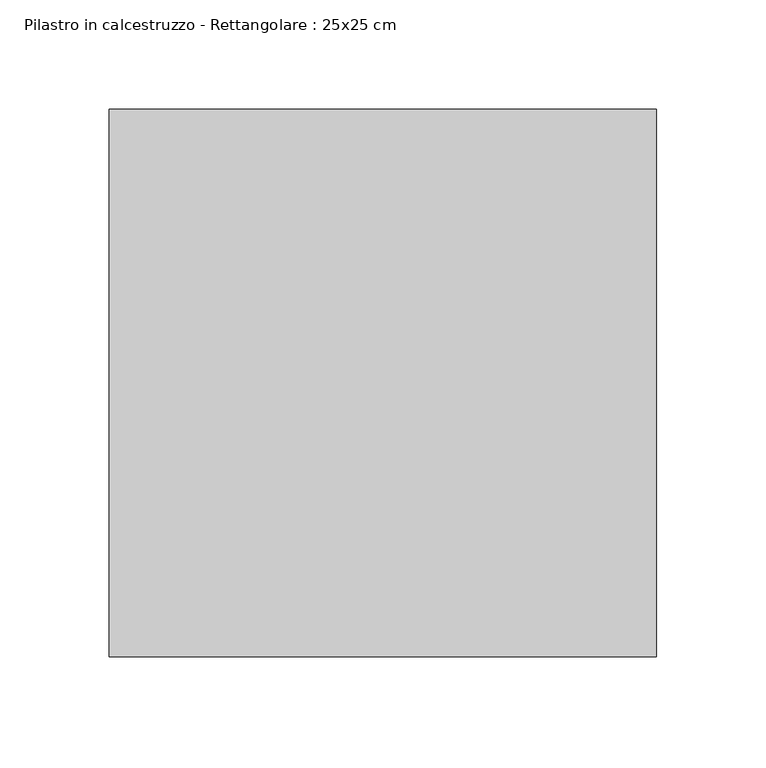
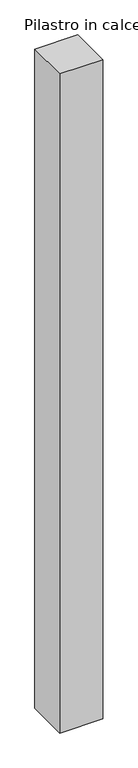
"""IFC4 building model written with IfcOpenShell, lengths in millimetres: column geometry, Pilastro in calcestruzzo - Rettangolare : 25x25 cm."""

import ifcopenshell
import ifcopenshell.guid

model = None  # the IFC model being written
_history = None  # IfcOwnerHistory: only IFC2X3 demands one
_inside = {}  # id of a spatial element -> (the spatial element, [elements in it])
_under = {}  # id of a project, library or spatial element -> (it, [spatial elements below it])
_declared = {}  # id of a project -> (the project, [libraries it declares])
_typed = {}  # id of a type object -> (the type object, [elements of that type])
_made_of = {}  # id of a material, layer set ... -> (it, [elements and type objects made of it])


def new_model(schema):
    """Start an empty IFC model of exactly this schema.

    Asked for "IFC4X3", IfcOpenShell would pick the latest addendum, in which some entities
    have other attributes; the version numbers below select the first issue.
    IFC2X3 requires an IfcOwnerHistory on every rooted entity: one is made here for all.
    """
    global model, _history
    if schema == "IFC4X3":
        model = ifcopenshell.file(schema_version=(4, 3, 0, 0))
    else:
        model = ifcopenshell.file(schema=schema)
    _inside.clear()
    _under.clear()
    _declared.clear()
    _typed.clear()
    _made_of.clear()
    _history = None
    if model.schema == "IFC2X3":
        org = make("IfcOrganization", Name="unknown")
        user = make(
            "IfcPersonAndOrganization",
            ThePerson=make("IfcPerson", FamilyName="unknown"),
            TheOrganization=org,
        )
        app = make(
            "IfcApplication",
            ApplicationDeveloper=org,
            Version="unknown",
            ApplicationFullName="unknown",
            ApplicationIdentifier="unknown",
        )
        _history = make(
            "IfcOwnerHistory",
            OwningUser=user,
            OwningApplication=app,
            ChangeAction="ADDED",
            CreationDate=0,
        )
    return model


def make(cls, **values):
    """One entity of the class cls with the attributes given. An attribute that is None is left unset."""
    return model.create_entity(
        cls, **{name: value for name, value in values.items() if value is not None}
    )


def rooted(cls, **values):
    """An entity with a GlobalId (a new one), such as an element, a storey or a relation."""
    return make(cls, GlobalId=ifcopenshell.guid.new(), OwnerHistory=_history, **values)


def si_unit(unit_type, name, prefix=None):
    """IfcSIUnit, for example si_unit("LENGTHUNIT", "METRE", prefix="MILLI")."""
    return make("IfcSIUnit", UnitType=unit_type, Prefix=prefix, Name=name)


def assignment(units):
    """IfcUnitAssignment: the units of a project."""
    return None if units is None else make("IfcUnitAssignment", Units=units)


def point(xyz):
    """IfcCartesianPoint."""
    return None if xyz is None else make("IfcCartesianPoint", Coordinates=xyz)


def direction(xyz):
    """IfcDirection."""
    return None if xyz is None else make("IfcDirection", DirectionRatios=xyz)


def frame(location, z_axis=None, x_axis=None):
    """IfcAxis2Placement3D, a coordinate frame: its origin and axes. An axis left out is left unset."""
    return make(
        "IfcAxis2Placement3D",
        Location=point(location),
        Axis=direction(z_axis),
        RefDirection=direction(x_axis),
    )


def origin():
    """The frame at (0, 0, 0) with its axes left unset."""
    return frame((0.0, 0.0, 0.0))


def place(relative_to, where):
    """IfcLocalPlacement: puts the frame where relative to a parent placement (None: the world)."""
    return make(
        "IfcLocalPlacement", PlacementRelTo=relative_to, RelativePlacement=where
    )


def context(
    kind, dimensions, precision=None, world=None, true_north=None, identifier=None
):
    """IfcGeometricRepresentationContext, for example the 3D "Model" context."""
    return make(
        "IfcGeometricRepresentationContext",
        ContextIdentifier=identifier,
        ContextType=kind,
        CoordinateSpaceDimension=dimensions,
        Precision=precision,
        WorldCoordinateSystem=world,
        TrueNorth=true_north,
    )


def project(units=None, contexts=None):
    """IfcProject with its units and contexts."""
    return rooted(
        "IfcProject",
        Name="project",
        RepresentationContexts=contexts,
        UnitsInContext=assignment(units),
    )


def spatial(cls, under=None, at=None, **own):
    """A site, building, storey or space (cls), placed at a placement, below another one or the project."""
    s = rooted(cls, ObjectPlacement=at, **own)
    if under is not None:
        _under.setdefault(under.id(), (under, []))[1].append(s)
    return s


def polyline(points):
    """IfcPolyline through the points."""
    return make("IfcPolyline", Points=[point(p) for p in points])


def outline(outer, holes=None, kind="AREA"):
    """IfcArbitraryClosedProfileDef: a profile drawn as a closed curve; with holes, ...WithVoids."""
    if holes is None:
        return make("IfcArbitraryClosedProfileDef", ProfileType=kind, OuterCurve=outer)
    return make(
        "IfcArbitraryProfileDefWithVoids",
        ProfileType=kind,
        OuterCurve=outer,
        InnerCurves=holes,
    )


def extrude(swept, where, along, depth):
    """IfcExtrudedAreaSolid: the profile swept, set in the frame where, extruded along a direction by depth."""
    return make(
        "IfcExtrudedAreaSolid",
        SweptArea=swept,
        Position=where,
        ExtrudedDirection=direction(along),
        Depth=depth,
    )


def shape(context_of_items, identifier, shape_type, items):
    """IfcShapeRepresentation: the items that make up one representation, for example the "Body"."""
    return make(
        "IfcShapeRepresentation",
        ContextOfItems=context_of_items,
        RepresentationIdentifier=identifier,
        RepresentationType=shape_type,
        Items=items,
    )


def source(mapping_origin, context_of_items, identifier, shape_type, items):
    """IfcRepresentationMap: a shape defined once, which mapped items show again and again."""
    return make(
        "IfcRepresentationMap",
        MappingOrigin=mapping_origin,
        MappedRepresentation=shape(context_of_items, identifier, shape_type, items),
    )


def transform(
    local_origin,
    x_axis=None,
    y_axis=None,
    z_axis=None,
    scale=None,
    scale2=None,
    scale3=None,
    uniform=True,
):
    """IfcCartesianTransformationOperator3D, or its non-uniform kind. x_axis, y_axis, z_axis: its Axis1, 2, 3."""
    if uniform:
        return make(
            "IfcCartesianTransformationOperator3D",
            Axis1=direction(x_axis),
            Axis2=direction(y_axis),
            LocalOrigin=point(local_origin),
            Scale=scale,
            Axis3=direction(z_axis),
        )
    return make(
        "IfcCartesianTransformationOperator3DnonUniform",
        Axis1=direction(x_axis),
        Axis2=direction(y_axis),
        LocalOrigin=point(local_origin),
        Scale=scale,
        Axis3=direction(z_axis),
        Scale2=scale2,
        Scale3=scale3,
    )


def mapped(mapping_source, mapping_target):
    """IfcMappedItem: shows the shape of a source again, moved by a transform."""
    return make(
        "IfcMappedItem", MappingSource=mapping_source, MappingTarget=mapping_target
    )


def made_of(thing, what):
    """Note that an element or type object is made of a material, layer set ...; save() writes the relation."""
    if what is not None:
        _made_of.setdefault(what.id(), (what, []))[1].append(thing)
    return thing


def element(
    cls,
    number,
    at=None,
    inside=None,
    cuts=None,
    type_object=None,
    material=None,
    context=None,
    identifier="Body",
    shape_type=None,
    held_by="IfcProductDefinitionShape",
    body=None,
    shapes=None,
    **own,
):
    """One element of the class cls, such as IfcWall. Its Tag is "e" and its number.

    at: its placement. inside: the storey or other place that contains it. cuts: it is an
    opening in that element (IfcRelVoidsElement). A single representation is given by context,
    identifier, shape_type and body (its items); several are given by shapes. held_by: the class
    of the entity that holds the representations. save() writes the other relations.
    """
    e = rooted(cls, Tag="e%d" % number, ObjectPlacement=at, **own)
    if body is not None:
        shapes = [shape(context, identifier, shape_type, body)]
    if shapes is not None:
        e.Representation = make(held_by, Representations=shapes)
    if inside is not None:
        _inside.setdefault(inside.id(), (inside, []))[1].append(e)
    if cuts is not None:
        rooted(
            "IfcRelVoidsElement", RelatingBuildingElement=cuts, RelatedOpeningElement=e
        )
    if type_object is not None:
        _typed.setdefault(type_object.id(), (type_object, []))[1].append(e)
    return made_of(e, material)


def aggregate(whole, parts):
    """IfcRelAggregates: a whole, such as a stair, and the parts it consists of."""
    return rooted("IfcRelAggregates", RelatingObject=whole, RelatedObjects=parts)


def save(model, path):
    """Write the relations noted so far, then the file.

    IfcRelAggregates (storeys below a building ...), IfcRelContainedInSpatialStructure (elements
    in a storey), IfcRelDefinesByType, IfcRelAssociatesMaterial and IfcRelDeclares: one each for
    every whole, place, type object, material and project.
    """
    for whole, parts in _under.values():
        aggregate(whole, parts)
    for where, things in _inside.values():
        rooted(
            "IfcRelContainedInSpatialStructure",
            RelatedElements=things,
            RelatingStructure=where,
        )
    for kind, things in _typed.values():
        rooted("IfcRelDefinesByType", RelatedObjects=things, RelatingType=kind)
    for what, things in _made_of.values():
        rooted("IfcRelAssociatesMaterial", RelatedObjects=things, RelatingMaterial=what)
    for by, libraries in _declared.values():
        rooted("IfcRelDeclares", RelatingContext=by, RelatedDefinitions=libraries)
    model.write(path)


def pilastro_in_calcestruzzo_rettangolare_25x25_cm_0d3df8d6(model_context):
    return source(origin(), model_context, "Body", "SweptSolid", [
        extrude(outline(polyline([(125.0, 125.0), (125.0, -125.0), (-125.0, -125.0), (-125.0, 125.0), (125.0, 125.0)])), frame((0.0, 0.0, -8000.0), z_axis=(0.0, 0.0, 1.0), x_axis=(1.0, 0.0, 0.0)), (0.0, 0.0, 1.0), 4050.0),
    ])


if __name__ == "__main__":
    model = new_model("IFC4")
    model_context = context("Model", 3, world=origin())
    ifc_project = project(units=[si_unit("LENGTHUNIT", "METRE", prefix="MILLI")], contexts=[model_context])
    site = spatial("IfcSite", under=ifc_project)
    building = spatial("IfcBuilding", under=site)
    placement = place(None, origin())
    pilastro_in_calcestruzzo_rettangolare_25x25_cm_shape = pilastro_in_calcestruzzo_rettangolare_25x25_cm_0d3df8d6(model_context)
    element("IfcColumn", 1, ObjectType="Pilastro in calcestruzzo - Rettangolare : 25x25 cm", at=placement, inside=building, context=model_context, shape_type="MappedRepresentation", body=[
        mapped(pilastro_in_calcestruzzo_rettangolare_25x25_cm_shape, transform((0.0, 0.0, 0.0), x_axis=(1.0, 0.0, 0.0), y_axis=(0.0, 1.0, 0.0), z_axis=(0.0, 0.0, 1.0))),
    ])
    save(model, "model.ifc")
